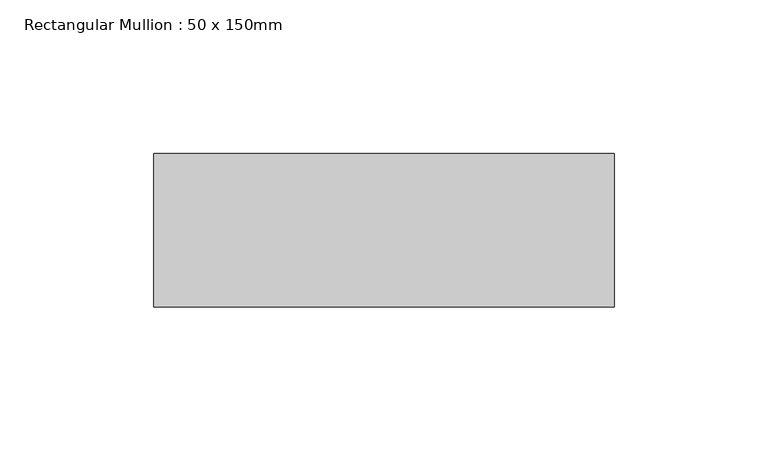
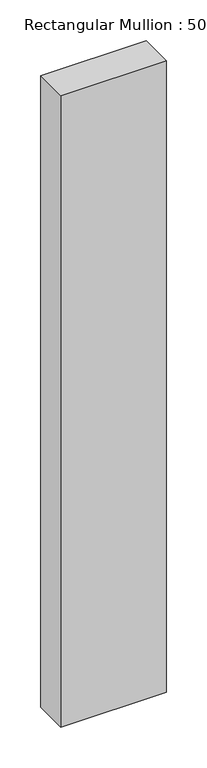
"""IFC4 building model written with IfcOpenShell, lengths in millimetres: member geometry, Rectangular Mullion : 50 x 150mm."""

from ifc_helpers import new_model, si_unit, frame, origin, place, context, project, spatial, polyline, outline, extrude, source, transform, mapped, element, save


def rectangular_mullion_50_x_150mm_b8950718(model_context):
    return source(origin(), model_context, "Body", "SweptSolid", [
        extrude(outline(polyline([(150.0, 50.0), (150.0, 0.0), (0.0, 0.0), (0.0, 50.0), (150.0, 50.0)])), frame((0.0, 0.0, -950.0), z_axis=(0.0, 0.0, 1.0), x_axis=(1.0, 0.0, 0.0)), (0.0, 0.0, 1.0), 950.0),
    ])


if __name__ == "__main__":
    model = new_model("IFC4")
    model_context = context("Model", 3, world=origin())
    ifc_project = project(units=[si_unit("LENGTHUNIT", "METRE", prefix="MILLI")], contexts=[model_context])
    site = spatial("IfcSite", under=ifc_project)
    building = spatial("IfcBuilding", under=site)
    placement = place(None, origin())
    rectangular_mullion_50_x_150mm_shape = rectangular_mullion_50_x_150mm_b8950718(model_context)
    element("IfcMember", 1, ObjectType="Rectangular Mullion : 50 x 150mm", at=placement, inside=building, context=model_context, shape_type="MappedRepresentation", body=[
        mapped(rectangular_mullion_50_x_150mm_shape, transform((0.0, 0.0, 0.0), x_axis=(1.0, 0.0, 0.0), y_axis=(0.0, 1.0, 0.0), z_axis=(0.0, 0.0, 1.0))),
    ])
    save(model, "model.ifc")
